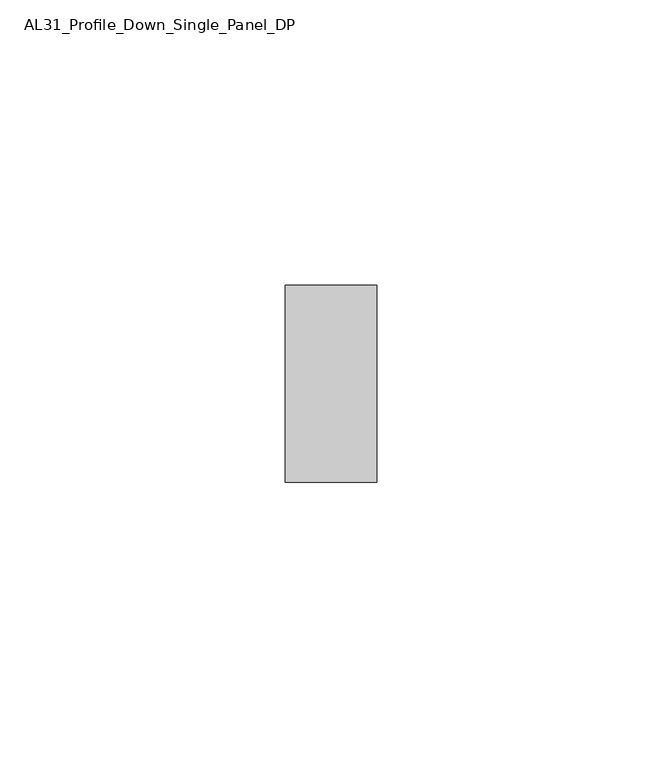
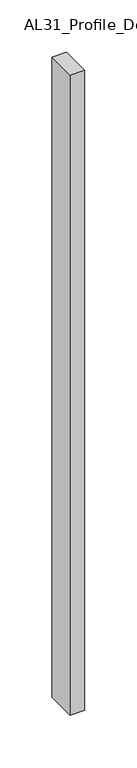
"""IFC4 building model written with IfcOpenShell, lengths in millimetres: member geometry, AL31_Profile_Down_Single_Panel_DP."""

from ifc_helpers import new_model, si_unit, frame, origin, place, context, project, spatial, polyline, outline, extrude, source, transform, mapped, element, save


def al31_profile_down_single_panel_dp_1c510134(model_context):
    return source(origin(), model_context, "Body", "SweptSolid", [
        extrude(outline(polyline([(0.0, 37.107), (0.0, 2.607), (-16.0427074, 2.607), (-16.0427074, 37.107), (0.0, 37.107)])), frame((0.0, 0.0, -747.4001021), z_axis=(0.0, 0.0, 1.0), x_axis=(1.0, 0.0, 0.0)), (0.0, 0.0, 1.0), 747.4001021),
    ])


if __name__ == "__main__":
    model = new_model("IFC4")
    model_context = context("Model", 3, world=origin())
    ifc_project = project(units=[si_unit("LENGTHUNIT", "METRE", prefix="MILLI")], contexts=[model_context])
    site = spatial("IfcSite", under=ifc_project)
    building = spatial("IfcBuilding", under=site)
    placement = place(None, origin())
    al31_profile_down_single_panel_dp_shape = al31_profile_down_single_panel_dp_1c510134(model_context)
    element("IfcMember", 1, ObjectType="AL31_Profile_Down_Single_Panel_DP", at=placement, inside=building, context=model_context, shape_type="MappedRepresentation", body=[
        mapped(al31_profile_down_single_panel_dp_shape, transform((0.0, 0.0, 0.0), x_axis=(1.0, 0.0, 0.0), y_axis=(0.0, 1.0, 0.0), z_axis=(0.0, 0.0, 1.0))),
    ])
    save(model, "model.ifc")
